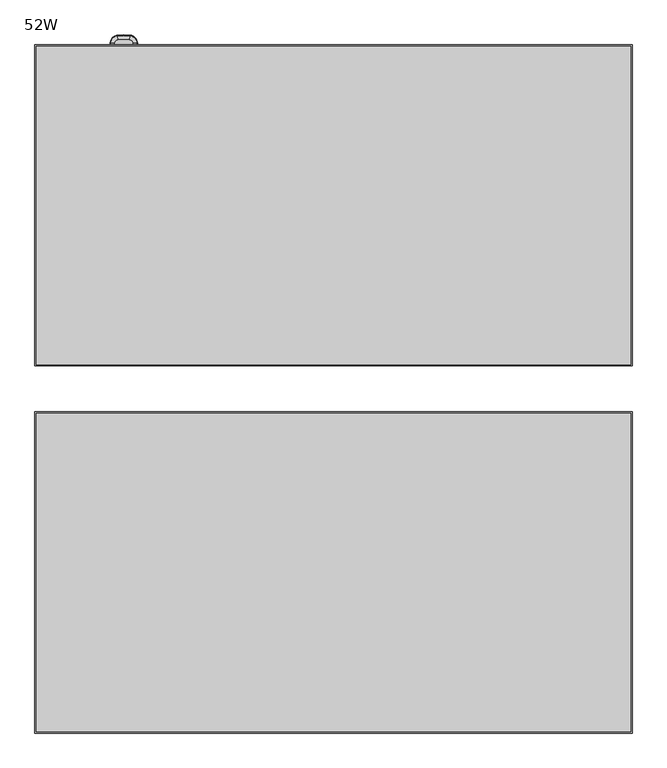
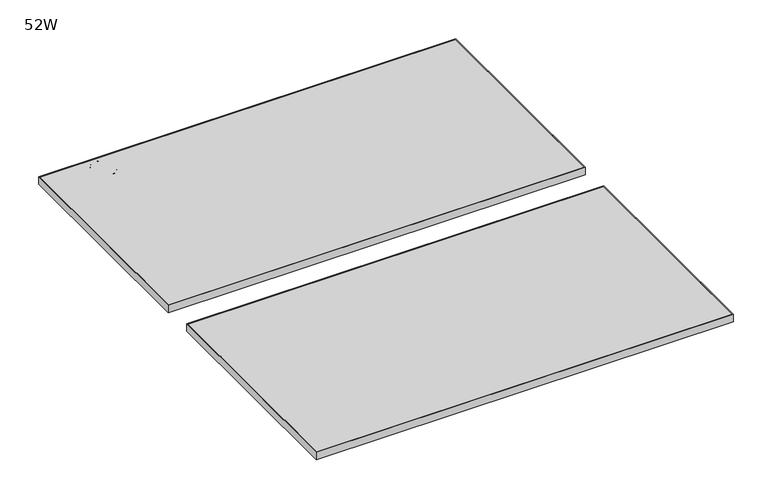
"""IFC4 building model written with IfcOpenShell, lengths in millimetres: furniture geometry, 52W."""

from ifc_helpers import new_model, si_unit, point, frame, origin, place, context, project, spatial, polyline, circle_curve, ellipse_curve, trimmed, outline, extrude, source, transform, mapped, element, save
from ifc_brep_helpers import plane_surface, revolved_surface, advanced_brep


def furniture_52w_aa009692(model_context):
    return source(origin(), model_context, "Body", "SolidModel", [
        advanced_brep(
        [(-477.6115374, 822.8053798, 686.2002905), (-478.7543179, 830.4598422, 683.3834162), (-492.2427261, 815.5601737, 683.3834162), (-484.5126626, 815.1822062, 686.2002905), (-493.50939, 815.6221082, 681.9527708), (-478.9415762, 831.7141179, 681.9527708), (-478.9660814, 831.8782564, 677.6840916), (-493.6751497, 815.6302132, 677.6840916), (-492.0943896, 779.9758204, 683.3834162), (-484.3677458, 780.4182206, 686.2002905), (-493.5261794, 779.8938412, 677.6840916), (-493.3604931, 779.9033279, 681.9527708), (-477.9675965, 765.2103493, 683.3834162), (-477.1841927, 772.909896, 686.2002905), (-478.1127656, 763.7835807, 677.6840916), (-478.0959667, 763.9486859, 681.9527708), (-450.6358016, 765.0298244, 683.3834162), (-451.3174314, 772.7390475, 686.2002905), (-450.5094919, 763.6012626, 677.6840916), (-450.5241084, 763.7665754, 681.9527708), (-434.9085802, 781.3244805, 683.3834162), (-442.6371131, 781.7325499, 686.2002905), (-433.4764403, 781.248863, 677.6840916), (-433.6421671, 781.2576135, 681.9527708), (-434.7872101, 814.6662347, 683.3834162), (-442.518509, 814.314442, 686.2002905), (-433.3545576, 814.7314238, 677.6840916), (-433.5203437, 814.7238802, 681.9527708), (-449.306564, 830.6029673, 683.3834162), (-450.3748861, 822.9377583, 686.2002905), (-449.1085979, 832.023373, 677.6840916), (-449.1315065, 831.859004, 681.9527708), (-484.5126626, 815.1822062, 673.4999998), (-477.6115374, 822.8053798, 673.4999998), (-450.3748861, 822.9377583, 673.4999998), (-442.518509, 814.314442, 673.4999998), (-442.6371131, 781.7325499, 673.4999998), (-451.3174314, 772.7390475, 673.4999998), (-477.1841927, 772.909896, 673.4999998), (-484.3677458, 780.4182206, 673.4999998), (-493.3250419, 815.6130944, 676.940773), (-478.914323, 831.5315728, 676.940773), (-493.1762266, 779.9138783, 676.940773), (-478.0772839, 764.1323063, 676.940773), (-450.540364, 763.9504265, 676.940773), (-433.8264787, 781.2673452, 676.940773), (-433.7047213, 814.7154906, 676.940773), (-449.1569841, 831.6762026, 676.940773)],
        [
            (0, 1),
            (1, 2, circle_curve(frame((-476.4143107, 814.786231, 683.3834162), z_axis=(0.0, 0.0, 1.0), x_axis=(-0.14765943736555143, 0.9890382654664525, 0.0)), 15.8473253)),
            (2, 3),
            (3, 0, circle_curve(frame((-476.4143107, 814.786231, 686.1999998), z_axis=(0.0, 0.0, -1.0), x_axis=(-0.14765943736555143, 0.9890382654664525, 0.0)), 8.1088255)),
            (4, 5, circle_curve(frame((-476.4143107, 814.786231, 681.9527708), z_axis=(0.0, 0.0, -1.0), x_axis=(-0.14765943736555143, 0.9890382654664525, 0.0)), 17.1155025)),
            (5, 6, circle_curve(frame((-477.3147111, 820.8172064, 679.3868597), z_axis=(-0.9890382654664525, -0.1476594373655514, 0.0), x_axis=(0.1476594373655514, -0.9890382654664525, 0.0)), 11.3125272)),
            (6, 7, circle_curve(frame((-476.4143107, 814.786231, 677.6840916), z_axis=(0.0, 0.0, 1.0), x_axis=(-0.14765943736555143, 0.9890382654664525, 0.0)), 17.2814602)),
            (7, 4, circle_curve(frame((-482.5048525, 815.0840328, 679.3868597), z_axis=(0.04883743353824094, 0.9988067406087116, 0.0), x_axis=(0.9988067406087116, -0.04883743353824094, 0.0)), 11.3125272)),
            (1, 5, circle_curve(frame((-478.6529657, 829.7809746, 681.4975708), z_axis=(-0.9890382654664525, -0.1476594373655514, 0.0), x_axis=(0.1476594373655514, -0.9890382654664525, 0.0)), 2.0068747)),
            (4, 2, circle_curve(frame((-491.5571536, 815.5266521, 681.4975708), z_axis=(0.048837433538238495, 0.9988067406087117, 0.0), x_axis=(0.9988067406087117, -0.048837433538238495, 0.0)), 2.0068747)),
            (2, 8, circle_curve(frame((-156.9426653, 799.1654161, 683.3834162), z_axis=(0.0, 0.0, 1.0), x_axis=(-0.9988067406087116, 0.04883743353824024, 0.0)), 335.7006387)),
            (8, 9),
            (9, 3, circle_curve(frame((-156.9426653, 799.1654161, 686.1999998), z_axis=(0.0, 0.0, -1.0), x_axis=(-0.9988067406087116, 0.04883743353824024, 0.0)), 327.9621389)),
            (7, 10, circle_curve(frame((-156.9426653, 799.1654161, 677.6840916), z_axis=(0.0, 0.0, 1.0), x_axis=(-0.9988067406087116, 0.04883743353824024, 0.0)), 337.1347736)),
            (10, 11, circle_curve(frame((-482.360824, 780.5331298, 679.3868597), z_axis=(-0.057162821296982205, 0.9983648691041613, 0.0), x_axis=(0.9983648691041613, 0.057162821296982205, 0.0)), 11.3125272)),
            (11, 4, circle_curve(frame((-156.9426653, 799.1654161, 681.9527708), z_axis=(0.0, 0.0, -1.0), x_axis=(-0.9988067406087116, 0.04883743353824024, 0.0)), 336.9688159)),
            (11, 8, circle_curve(frame((-491.4091203, 780.0150565, 681.4975708), z_axis=(-0.057162821296982094, 0.9983648691041613, 0.0), x_axis=(0.9983648691041613, 0.057162821296982094, 0.0)), 2.0068747)),
            (8, 12, circle_curve(frame((-476.3736743, 780.8759327, 683.3834162), z_axis=(0.0, 0.0, 1.0), x_axis=(-0.9983648691041614, -0.05716282129698137, 0.0)), 15.7464628)),
            (12, 13),
            (13, 9, circle_curve(frame((-476.3736743, 780.8759327, 686.1999998), z_axis=(0.0, 0.0, -1.0), x_axis=(-0.9983648691041614, -0.05716282129698137, 0.0)), 8.0079629)),
            (10, 14, circle_curve(frame((-476.3736743, 780.8759327, 677.6840916), z_axis=(0.0, 0.0, 1.0), x_axis=(-0.9983648691041614, -0.05716282129698137, 0.0)), 17.1805977)),
            (14, 15, circle_curve(frame((-476.980711, 774.9097797, 679.3868597), z_axis=(-0.9948636454160269, 0.10122414252308601, 0.0), x_axis=(0.10122414252308601, 0.9948636454160269, 0.0)), 11.3125272)),
            (15, 11, circle_curve(frame((-476.3736743, 780.8759327, 681.9527708), z_axis=(0.0, 0.0, -1.0), x_axis=(-0.9983648691041614, -0.05716282129698137, 0.0)), 17.01464)),
            (15, 12, circle_curve(frame((-477.8981171, 765.8932153, 681.4975708), z_axis=(-0.9948636454160271, 0.10122414252308312, 0.0), x_axis=(0.10122414252308312, 0.9948636454160271, 0.0)), 2.0068747)),
            (12, 16, circle_curve(frame((-463.3523463, 908.8537603, 683.3834162), z_axis=(0.0, 0.0, 1.0), x_axis=(-0.10122414252308336, -0.9948636454160271, 0.0)), 144.3850237)),
            (16, 17),
            (17, 13, circle_curve(frame((-463.3523463, 908.8537603, 686.1999998), z_axis=(0.0, 0.0, -1.0), x_axis=(-0.10122414252308336, -0.9948636454160271, 0.0)), 136.6465238)),
            (14, 18, circle_curve(frame((-463.3523463, 908.8537603, 677.6840916), z_axis=(0.0, 0.0, 1.0), x_axis=(-0.10122414252308336, -0.9948636454160271, 0.0)), 145.8191585)),
            (18, 19, circle_curve(frame((-451.4944783, 774.7414445, 679.3868597), z_axis=(-0.996113947934043, -0.08807384816876618, 0.0), x_axis=(-0.08807384816876618, 0.996113947934043, 0.0)), 11.3125272)),
            (19, 15, circle_curve(frame((-463.3523463, 908.8537603, 681.9527708), z_axis=(0.0, 0.0, -1.0), x_axis=(-0.10122414252308336, -0.9948636454160271, 0.0)), 145.6532009)),
            (19, 16, circle_curve(frame((-450.6962548, 765.7135486, 681.4975708), z_axis=(-0.996113947934043, -0.0880738481687662, 0.0), x_axis=(-0.0880738481687662, 0.996113947934043, 0.0)), 2.0068747)),
            (16, 20, circle_curve(frame((-452.1570575, 782.2352064, 683.3834162), z_axis=(0.0, 0.0, 1.0), x_axis=(0.08807384816876603, -0.996113947934043, 0.0)), 17.2725039)),
            (20, 21),
            (21, 17, circle_curve(frame((-452.1570575, 782.2352064, 686.1999998), z_axis=(0.0, 0.0, -1.0), x_axis=(0.08807384816876603, -0.996113947934043, 0.0)), 9.534004)),
            (18, 22, circle_curve(frame((-452.1570575, 782.2352064, 677.6840916), z_axis=(0.0, 0.0, 1.0), x_axis=(0.08807384816876603, -0.996113947934043, 0.0)), 18.7066388)),
            (22, 23, circle_curve(frame((-444.6445256, 781.838542, 679.3868597), z_axis=(-0.05272691522563906, -0.9986089687213852, 0.0), x_axis=(-0.9986089687213852, 0.05272691522563906, 0.0)), 11.3125272)),
            (23, 19, circle_curve(frame((-452.1570575, 782.2352064, 681.9527708), z_axis=(0.0, 0.0, -1.0), x_axis=(0.08807384816876603, -0.996113947934043, 0.0)), 18.5406811)),
            (23, 20, circle_curve(frame((-435.594017, 781.3606719, 681.4975708), z_axis=(-0.05272691522564173, -0.998608968721385, 0.0), x_axis=(-0.998608968721385, 0.05272691522564173, 0.0)), 2.0068747)),
            (20, 24, circle_curve(frame((-774.026514, 799.2300303, 683.3834162), z_axis=(0.0, 0.0, 1.0), x_axis=(0.9986089687213847, -0.05272691522564658, 0.0)), 339.5903145)),
            (24, 25),
            (25, 21, circle_curve(frame((-774.026514, 799.2300303, 686.1999998), z_axis=(0.0, 0.0, -1.0), x_axis=(0.9986089687213847, -0.05272691522564658, 0.0)), 331.8518146)),
            (22, 26, circle_curve(frame((-774.026514, 799.2300303, 677.6840916), z_axis=(0.0, 0.0, 1.0), x_axis=(0.9986089687213847, -0.05272691522564658, 0.0)), 341.0244494)),
            (26, 27, circle_curve(frame((-444.52664, 814.2230672, 679.3868597), z_axis=(0.04545537307657067, -0.9989663703340917, 0.0), x_axis=(-0.9989663703340917, -0.04545537307657067, 0.0)), 11.3125272)),
            (27, 23, circle_curve(frame((-774.026514, 799.2300303, 681.9527708), z_axis=(0.0, 0.0, -1.0), x_axis=(0.9986089687213847, -0.05272691522564658, 0.0)), 340.8584917)),
            (27, 24, circle_curve(frame((-435.4728922, 814.6350345, 681.4975708), z_axis=(0.045455373076570625, -0.9989663703340917, 0.0), x_axis=(-0.9989663703340917, -0.045455373076570625, 0.0)), 2.0068747)),
            (24, 28, circle_curve(frame((-451.6345546, 813.89964, 683.3834162), z_axis=(0.0, 0.0, 1.0), x_axis=(0.9989663703340921, 0.045455373076564755, 0.0)), 16.8647764)),
            (28, 29),
            (29, 25, circle_curve(frame((-451.6345546, 813.89964, 686.1999998), z_axis=(0.0, 0.0, -1.0), x_axis=(0.9989663703340921, 0.045455373076564755, 0.0)), 9.1262765)),
            (26, 30, circle_curve(frame((-451.6345546, 813.89964, 677.6840916), z_axis=(0.0, 0.0, 1.0), x_axis=(0.9989663703340921, 0.045455373076564755, 0.0)), 18.2989113)),
            (30, 31, circle_curve(frame((-450.6523726, 820.9467936, 679.3868597), z_axis=(0.9904268457768618, -0.13803862924738294, 0.0), x_axis=(-0.13803862924738294, -0.9904268457768618, 0.0)), 11.3125272)),
            (31, 27, circle_curve(frame((-451.6345546, 813.89964, 681.9527708), z_axis=(0.0, 0.0, -1.0), x_axis=(0.9989663703340921, 0.045455373076564755, 0.0)), 18.1329536)),
            (31, 28, circle_curve(frame((-449.4013125, 829.9231467, 681.4975708), z_axis=(0.9904268457768624, -0.13803862924737945, 0.0), x_axis=(-0.13803862924737945, -0.9904268457768624, 0.0)), 2.0068747)),
            (0, 29, circle_curve(frame((-463.5346182, 728.516711, 686.1999998), z_axis=(0.0, 0.0, -1.0), x_axis=(0.13803862924737878, 0.9904268457768624, 0.0)), 95.33449)),
            (28, 1, circle_curve(frame((-463.5346182, 728.516711, 683.3834162), z_axis=(0.0, 0.0, 1.0), x_axis=(0.13803862924737878, 0.9904268457768624, 0.0)), 103.0729899)),
            (5, 31, circle_curve(frame((-463.5346182, 728.516711, 681.9527708), z_axis=(0.0, 0.0, -1.0), x_axis=(0.13803862924737878, 0.9904268457768624, 0.0)), 104.3411671)),
            (30, 6, circle_curve(frame((-463.5346182, 728.516711, 677.6840916), z_axis=(0.0, 0.0, 1.0), x_axis=(0.13803862924737878, 0.9904268457768624, 0.0)), 104.5071248)),
            (32, 33, circle_curve(frame((-476.4143107, 814.786231, 673.4999998), z_axis=(0.0, 0.0, -1.0), x_axis=(-0.14765943736555143, 0.9890382654664525, 0.0)), 8.1080269)),
            (33, 34, circle_curve(frame((-463.5346182, 728.516711, 673.4999998), z_axis=(0.0, 0.0, -1.0), x_axis=(0.13803862924737878, 0.9904268457768624, 0.0)), 95.3336914)),
            (34, 35, circle_curve(frame((-451.6345546, 813.89964, 673.4999998), z_axis=(0.0, 0.0, -1.0), x_axis=(0.9989663703340921, 0.045455373076564755, 0.0)), 9.1254779)),
            (35, 36, circle_curve(frame((-774.026514, 799.2300303, 673.4999998), z_axis=(0.0, 0.0, -1.0), x_axis=(0.9986089687213847, -0.05272691522564658, 0.0)), 331.851016)),
            (36, 37, circle_curve(frame((-452.1570575, 782.2352064, 673.4999998), z_axis=(0.0, 0.0, -1.0), x_axis=(0.08807384816876603, -0.996113947934043, 0.0)), 9.5332054)),
            (37, 38, circle_curve(frame((-463.3523463, 908.8537603, 673.4999998), z_axis=(0.0, 0.0, -1.0), x_axis=(-0.10122414252308336, -0.9948636454160271, 0.0)), 136.6457252)),
            (38, 39, circle_curve(frame((-476.3736743, 780.8759327, 673.4999998), z_axis=(0.0, 0.0, -1.0), x_axis=(-0.9983648691041614, -0.05716282129698137, 0.0)), 8.0071643)),
            (39, 32, circle_curve(frame((-156.9426653, 799.1654161, 673.4999998), z_axis=(0.0, 0.0, -1.0), x_axis=(-0.9988067406087116, 0.04883743353824024, 0.0)), 327.9613402)),
            (40, 41, circle_curve(frame((-476.4143107, 814.786231, 676.940773), z_axis=(0.0, 0.0, -1.0), x_axis=(-0.14765943736555143, 0.9890382654664525, 0.0)), 16.9309342)),
            (41, 33, circle_curve(frame((-477.761296, 823.8084781, 683.9316594), z_axis=(-0.9890382654664525, -0.1476594373655514, 0.0), x_axis=(0.1476594373655514, -0.9890382654664525, 0.0)), 10.4808471)),
            (32, 40, circle_curve(frame((-485.5256682, 815.2317379, 683.9316594), z_axis=(0.048837433538235164, 0.9988067406087119, 0.0), x_axis=(0.9988067406087119, -0.048837433538235164, 0.0)), 10.4808471)),
            (6, 41, circle_curve(frame((-478.755997, 830.471089, 677.9007148), z_axis=(-0.9890382654664525, -0.1476594373655514, 0.0), x_axis=(0.1476594373655514, -0.9890382654664525, 0.0)), 1.4391599)),
            (40, 7, circle_curve(frame((-492.2540841, 815.5607291, 677.9007148), z_axis=(0.04883743353823983, 0.9988067406087117, 0.0), x_axis=(0.9988067406087117, -0.04883743353823983, 0.0)), 1.4391599)),
            (39, 42, circle_curve(frame((-485.3803033, 780.3602451, 683.9316594), z_axis=(-0.057162821296982025, 0.9983648691041613, 0.0), x_axis=(0.9983648691041613, 0.057162821296982025, 0.0)), 10.4808471)),
            (42, 40, circle_curve(frame((-156.9426653, 799.1654161, 676.940773), z_axis=(0.0, 0.0, -1.0), x_axis=(-0.9988067406087116, 0.04883743353824024, 0.0)), 336.7842476)),
            (42, 10, circle_curve(frame((-492.1057425, 779.9751704, 677.9007148), z_axis=(-0.057162821296981796, 0.9983648691041614, 0.0), x_axis=(0.9983648691041614, 0.057162821296981796, 0.0)), 1.4391599)),
            (38, 43, circle_curve(frame((-477.2868558, 771.9008896, 683.9316594), z_axis=(-0.9948636454160276, 0.1012241425230787, 0.0), x_axis=(0.1012241425230787, 0.9948636454160276, 0.0)), 10.4808471)),
            (43, 42, circle_curve(frame((-476.3736743, 780.8759327, 676.940773), z_axis=(0.0, 0.0, -1.0), x_axis=(-0.9983648691041614, -0.05716282129698137, 0.0)), 16.8300716)),
            (43, 14, circle_curve(frame((-477.9687476, 765.1990362, 677.9007148), z_axis=(-0.9948636454160269, 0.10122414252308488, 0.0), x_axis=(0.10122414252308488, 0.9948636454160269, 0.0)), 1.4391599)),
            (37, 44, circle_curve(frame((-451.2281056, 771.728773, 683.9316594), z_axis=(-0.996113947934043, -0.08807384816876587, 0.0), x_axis=(-0.08807384816876587, 0.996113947934043, 0.0)), 10.4808471)),
            (44, 43, circle_curve(frame((-463.3523463, 908.8537603, 676.940773), z_axis=(0.0, 0.0, -1.0), x_axis=(-0.10122414252308336, -0.9948636454160271, 0.0)), 145.4686325)),
            (44, 18, circle_curve(frame((-450.6348001, 765.018497, 677.9007148), z_axis=(-0.996113947934043, -0.08807384816876607, 0.0), x_axis=(-0.08807384816876607, 0.996113947934043, 0.0)), 1.4391599)),
            (36, 45, circle_curve(frame((-441.6243081, 781.6790734, 683.9316594), z_axis=(-0.05272691522564153, -0.998608968721385, 0.0), x_axis=(-0.998608968721385, 0.05272691522564153, 0.0)), 10.4808471)),
            (45, 44, circle_curve(frame((-452.1570575, 782.2352064, 676.940773), z_axis=(0.0, 0.0, -1.0), x_axis=(0.08807384816876603, -0.996113947934043, 0.0)), 18.3561127)),
            (45, 22, circle_curve(frame((-434.8972245, 781.323881, 677.9007148), z_axis=(-0.05272691522564307, -0.9986089687213849, 0.0), x_axis=(-0.9986089687213849, 0.05272691522564307, 0.0)), 1.4391599)),
            (35, 46, circle_curve(frame((-441.5053415, 814.3605436, 683.9316594), z_axis=(0.045455373076571055, -0.9989663703340917, 0.0), x_axis=(-0.9989663703340917, -0.045455373076571055, 0.0)), 10.4808471)),
            (46, 45, circle_curve(frame((-774.026514, 799.2300303, 676.940773), z_axis=(0.0, 0.0, -1.0), x_axis=(0.9986089687213847, -0.05272691522564658, 0.0)), 340.6739233)),
            (46, 26, circle_curve(frame((-434.7758503, 814.6667516, 677.9007148), z_axis=(0.045455373076570736, -0.9989663703340917, 0.0), x_axis=(-0.9989663703340917, -0.045455373076570736, 0.0)), 1.4391599)),
            (34, 47, circle_curve(frame((-450.2348851, 823.9422649, 683.9316594), z_axis=(0.990426845776861, -0.13803862924738824, 0.0), x_axis=(-0.13803862924738824, -0.990426845776861, 0.0)), 10.4808471)),
            (47, 46, circle_curve(frame((-451.6345546, 813.89964, 676.940773), z_axis=(0.0, 0.0, -1.0), x_axis=(0.9989663703340921, 0.045455373076564755, 0.0)), 17.9483852)),
            (47, 30, circle_curve(frame((-449.3049942, 830.6142299, 677.9007148), z_axis=(0.9904268457768618, -0.13803862924738294, 0.0), x_axis=(-0.13803862924738294, -0.9904268457768618, 0.0)), 1.4391599)),
            (41, 47, circle_curve(frame((-463.5346182, 728.516711, 676.940773), z_axis=(0.0, 0.0, -1.0), x_axis=(0.13803862924737878, 0.9904268457768624, 0.0)), 104.1565987)),
        ],
        [
            revolved_surface(polyline([(-478.7543179, 830.4598422, 683.3834162), (-477.6115374, 822.8053798, 686.2002905)]), (-476.4143107, 814.786231, 0.0), (0.0, 0.0, 1.0)),
            revolved_surface(trimmed(ellipse_curve(frame((-477.3147111, 820.8172064, 679.3868597), z_axis=(0.9890382654664525, 0.1476594373655514, 0.0), x_axis=(0.1476594373655514, -0.9890382654664525, 0.0)), 11.3125272, 11.3125272), [point((-478.9660814, 831.8782564, 677.6840916))], [point((-478.9415762, 831.7141179, 681.9527708))], True, "CARTESIAN"), (-476.4143107, 814.786231, 0.0), (0.0, 0.0, 1.0)),
            revolved_surface(trimmed(ellipse_curve(frame((-478.6529657, 829.7809746, 681.4975708), z_axis=(0.9890382654664525, 0.1476594373655514, 0.0), x_axis=(0.1476594373655514, -0.9890382654664525, 0.0)), 2.0068747, 2.0068747), [point((-478.9415762, 831.7141179, 681.9527708))], [point((-478.7543179, 830.4598422, 683.3834162))], True, "CARTESIAN"), (-476.4143107, 814.786231, 0.0), (0.0, 0.0, 1.0)),
            revolved_surface(polyline([(-492.2427261, 815.5601737, 683.3834162), (-484.5126626, 815.1822062, 686.2002905)]), (-156.9426653, 799.1654161, 0.0), (0.0, 0.0, 1.0)),
            revolved_surface(trimmed(ellipse_curve(frame((-482.5048525, 815.0840328, 679.3868597), z_axis=(0.04883743353824022, 0.9988067406087116, 0.0), x_axis=(0.9988067406087116, -0.04883743353824022, 0.0)), 11.3125272, 11.3125272), [point((-493.6751497, 815.6302132, 677.6840916))], [point((-493.50939, 815.6221082, 681.9527708))], True, "CARTESIAN"), (-156.9426653, 799.1654161, 0.0), (0.0, 0.0, 1.0)),
            revolved_surface(trimmed(ellipse_curve(frame((-491.5571536, 815.5266521, 681.4975708), z_axis=(0.04883743353824022, 0.9988067406087116, 0.0), x_axis=(0.9988067406087116, -0.04883743353824022, 0.0)), 2.0068747, 2.0068747), [point((-493.50939, 815.6221082, 681.9527708))], [point((-492.2427261, 815.5601737, 683.3834162))], True, "CARTESIAN"), (-156.9426653, 799.1654161, 0.0), (0.0, 0.0, 1.0)),
            revolved_surface(polyline([(-492.0943896, 779.9758204, 683.3834162), (-484.3677458, 780.4182206, 686.2002905)]), (-476.3736743, 780.8759327, 0.0), (0.0, 0.0, 1.0)),
            revolved_surface(trimmed(ellipse_curve(frame((-482.360824, 780.5331298, 679.3868597), z_axis=(-0.05716282129698137, 0.9983648691041614, 0.0), x_axis=(0.9983648691041614, 0.05716282129698137, 0.0)), 11.3125272, 11.3125272), [point((-493.5261794, 779.8938412, 677.6840916))], [point((-493.3604931, 779.9033279, 681.9527708))], True, "CARTESIAN"), (-476.3736743, 780.8759327, 0.0), (0.0, 0.0, 1.0)),
            revolved_surface(trimmed(ellipse_curve(frame((-491.4091203, 780.0150565, 681.4975708), z_axis=(-0.05716282129698137, 0.9983648691041614, 0.0), x_axis=(0.9983648691041614, 0.05716282129698137, 0.0)), 2.0068747, 2.0068747), [point((-493.3604931, 779.9033279, 681.9527708))], [point((-492.0943896, 779.9758204, 683.3834162))], True, "CARTESIAN"), (-476.3736743, 780.8759327, 0.0), (0.0, 0.0, 1.0)),
            revolved_surface(polyline([(-477.9675965, 765.2103493, 683.3834162), (-477.1841927, 772.909896, 686.2002905)]), (-463.3523463, 908.8537603, 0.0), (0.0, 0.0, 1.0)),
            revolved_surface(trimmed(ellipse_curve(frame((-476.980711, 774.9097797, 679.3868597), z_axis=(-0.9948636454160271, 0.10122414252308339, 0.0), x_axis=(0.10122414252308339, 0.9948636454160271, 0.0)), 11.3125272, 11.3125272), [point((-478.1127656, 763.7835807, 677.6840916))], [point((-478.0959667, 763.9486859, 681.9527708))], True, "CARTESIAN"), (-463.3523463, 908.8537603, 0.0), (0.0, 0.0, 1.0)),
            revolved_surface(trimmed(ellipse_curve(frame((-477.8981171, 765.8932153, 681.4975708), z_axis=(-0.9948636454160271, 0.10122414252308339, 0.0), x_axis=(0.10122414252308339, 0.9948636454160271, 0.0)), 2.0068747, 2.0068747), [point((-478.0959667, 763.9486859, 681.9527708))], [point((-477.9675965, 765.2103493, 683.3834162))], True, "CARTESIAN"), (-463.3523463, 908.8537603, 0.0), (0.0, 0.0, 1.0)),
            revolved_surface(polyline([(-450.6358016, 765.0298244, 683.3834162), (-451.3174314, 772.7390475, 686.2002905)]), (-452.1570575, 782.2352064, 0.0), (0.0, 0.0, 1.0)),
            revolved_surface(trimmed(ellipse_curve(frame((-451.4944783, 774.7414445, 679.3868597), z_axis=(-0.996113947934043, -0.08807384816876601, 0.0), x_axis=(-0.08807384816876601, 0.996113947934043, 0.0)), 11.3125272, 11.3125272), [point((-450.5094919, 763.6012626, 677.6840916))], [point((-450.5241084, 763.7665754, 681.9527708))], True, "CARTESIAN"), (-452.1570575, 782.2352064, 0.0), (0.0, 0.0, 1.0)),
            revolved_surface(trimmed(ellipse_curve(frame((-450.6962548, 765.7135486, 681.4975708), z_axis=(-0.996113947934043, -0.08807384816876601, 0.0), x_axis=(-0.08807384816876601, 0.996113947934043, 0.0)), 2.0068747, 2.0068747), [point((-450.5241084, 763.7665754, 681.9527708))], [point((-450.6358016, 765.0298244, 683.3834162))], True, "CARTESIAN"), (-452.1570575, 782.2352064, 0.0), (0.0, 0.0, 1.0)),
            revolved_surface(polyline([(-434.9085802, 781.3244805, 683.3834162), (-442.6371131, 781.7325499, 686.2002905)]), (-774.026514, 799.2300303, 0.0), (0.0, 0.0, 1.0)),
            revolved_surface(trimmed(ellipse_curve(frame((-444.6445256, 781.838542, 679.3868597), z_axis=(-0.05272691522564656, -0.9986089687213847, 0.0), x_axis=(-0.9986089687213847, 0.05272691522564656, 0.0)), 11.3125272, 11.3125272), [point((-433.4764403, 781.248863, 677.6840916))], [point((-433.6421671, 781.2576135, 681.9527708))], True, "CARTESIAN"), (-774.026514, 799.2300303, 0.0), (0.0, 0.0, 1.0)),
            revolved_surface(trimmed(ellipse_curve(frame((-435.594017, 781.3606719, 681.4975708), z_axis=(-0.05272691522564656, -0.9986089687213847, 0.0), x_axis=(-0.9986089687213847, 0.05272691522564656, 0.0)), 2.0068747, 2.0068747), [point((-433.6421671, 781.2576135, 681.9527708))], [point((-434.9085802, 781.3244805, 683.3834162))], True, "CARTESIAN"), (-774.026514, 799.2300303, 0.0), (0.0, 0.0, 1.0)),
            revolved_surface(polyline([(-434.7872101, 814.6662347, 683.3834162), (-442.518509, 814.314442, 686.2002905)]), (-451.6345546, 813.89964, 0.0), (0.0, 0.0, 1.0)),
            revolved_surface(trimmed(ellipse_curve(frame((-444.52664, 814.2230672, 679.3868597), z_axis=(0.04545537307656477, -0.9989663703340921, 0.0), x_axis=(-0.9989663703340921, -0.04545537307656477, 0.0)), 11.3125272, 11.3125272), [point((-433.3545576, 814.7314238, 677.6840916))], [point((-433.5203437, 814.7238802, 681.9527708))], True, "CARTESIAN"), (-451.6345546, 813.89964, 0.0), (0.0, 0.0, 1.0)),
            revolved_surface(trimmed(ellipse_curve(frame((-435.4728922, 814.6350345, 681.4975708), z_axis=(0.04545537307656477, -0.9989663703340921, 0.0), x_axis=(-0.9989663703340921, -0.04545537307656477, 0.0)), 2.0068747, 2.0068747), [point((-433.5203437, 814.7238802, 681.9527708))], [point((-434.7872101, 814.6662347, 683.3834162))], True, "CARTESIAN"), (-451.6345546, 813.89964, 0.0), (0.0, 0.0, 1.0)),
            revolved_surface(polyline([(-449.306564, 830.6029673, 683.3834162), (-450.3748861, 822.9377583, 686.2002905)]), (-463.5346182, 728.516711, 0.0), (0.0, 0.0, 1.0)),
            revolved_surface(trimmed(ellipse_curve(frame((-450.6523726, 820.9467936, 679.3868597), z_axis=(0.9904268457768624, -0.1380386292473788, 0.0), x_axis=(-0.1380386292473788, -0.9904268457768624, 0.0)), 11.3125272, 11.3125272), [point((-449.1085979, 832.023373, 677.6840916))], [point((-449.1315065, 831.859004, 681.9527708))], True, "CARTESIAN"), (-463.5346182, 728.516711, 0.0), (0.0, 0.0, 1.0)),
            revolved_surface(trimmed(ellipse_curve(frame((-449.4013125, 829.9231467, 681.4975708), z_axis=(0.9904268457768624, -0.1380386292473788, 0.0), x_axis=(-0.1380386292473788, -0.9904268457768624, 0.0)), 2.0068747, 2.0068747), [point((-449.1315065, 831.859004, 681.9527708))], [point((-449.306564, 830.6029673, 683.3834162))], True, "CARTESIAN"), (-463.5346182, 728.516711, 0.0), (0.0, 0.0, 1.0)),
            plane_surface(frame((-476.3736743, 772.8687684, 673.4999998), z_axis=(0.0, 0.0, -1.0), x_axis=(-1.0, 0.0, 0.0))),
            plane_surface(frame((-476.3736743, 772.8687684, 686.1999998), z_axis=(0.0, 0.0, 1.0), x_axis=(1.0, 0.0, 0.0))),
            revolved_surface(trimmed(ellipse_curve(frame((-477.761296, 823.8084781, 683.9316594), z_axis=(0.9890382654664525, 0.1476594373655514, 0.0), x_axis=(0.1476594373655514, -0.9890382654664525, 0.0)), 10.4808471, 10.4808471), [point((-477.6115374, 822.8053798, 673.4999998))], [point((-478.914323, 831.5315728, 676.940773))], True, "CARTESIAN"), (-476.4143107, 814.786231, 0.0), (0.0, 0.0, 1.0)),
            revolved_surface(trimmed(ellipse_curve(frame((-478.755997, 830.471089, 677.9007148), z_axis=(0.9890382654664525, 0.1476594373655514, 0.0), x_axis=(0.1476594373655514, -0.9890382654664525, 0.0)), 1.4391599, 1.4391599), [point((-478.914323, 831.5315728, 676.940773))], [point((-478.9660814, 831.8782564, 677.6840916))], True, "CARTESIAN"), (-476.4143107, 814.786231, 0.0), (0.0, 0.0, 1.0)),
            revolved_surface(trimmed(ellipse_curve(frame((-485.5256682, 815.2317379, 683.9316594), z_axis=(0.04883743353824022, 0.9988067406087116, 0.0), x_axis=(0.9988067406087116, -0.04883743353824022, 0.0)), 10.4808471, 10.4808471), [point((-484.5126626, 815.1822062, 673.4999998))], [point((-493.3250419, 815.6130944, 676.940773))], True, "CARTESIAN"), (-156.9426653, 799.1654161, 0.0), (0.0, 0.0, 1.0)),
            revolved_surface(trimmed(ellipse_curve(frame((-492.2540841, 815.5607291, 677.9007148), z_axis=(0.04883743353824022, 0.9988067406087116, 0.0), x_axis=(0.9988067406087116, -0.04883743353824022, 0.0)), 1.4391599, 1.4391599), [point((-493.3250419, 815.6130944, 676.940773))], [point((-493.6751497, 815.6302132, 677.6840916))], True, "CARTESIAN"), (-156.9426653, 799.1654161, 0.0), (0.0, 0.0, 1.0)),
            revolved_surface(trimmed(ellipse_curve(frame((-485.3803033, 780.3602451, 683.9316594), z_axis=(-0.05716282129698137, 0.9983648691041614, 0.0), x_axis=(0.9983648691041614, 0.05716282129698137, 0.0)), 10.4808471, 10.4808471), [point((-484.3677458, 780.4182206, 673.4999998))], [point((-493.1762266, 779.9138783, 676.940773))], True, "CARTESIAN"), (-476.3736743, 780.8759327, 0.0), (0.0, 0.0, 1.0)),
            revolved_surface(trimmed(ellipse_curve(frame((-492.1057425, 779.9751704, 677.9007148), z_axis=(-0.05716282129698137, 0.9983648691041614, 0.0), x_axis=(0.9983648691041614, 0.05716282129698137, 0.0)), 1.4391599, 1.4391599), [point((-493.1762266, 779.9138783, 676.940773))], [point((-493.5261794, 779.8938412, 677.6840916))], True, "CARTESIAN"), (-476.3736743, 780.8759327, 0.0), (0.0, 0.0, 1.0)),
            revolved_surface(trimmed(ellipse_curve(frame((-477.2868558, 771.9008896, 683.9316594), z_axis=(-0.9948636454160271, 0.10122414252308339, 0.0), x_axis=(0.10122414252308339, 0.9948636454160271, 0.0)), 10.4808471, 10.4808471), [point((-477.1841927, 772.909896, 673.4999998))], [point((-478.0772839, 764.1323063, 676.940773))], True, "CARTESIAN"), (-463.3523463, 908.8537603, 0.0), (0.0, 0.0, 1.0)),
            revolved_surface(trimmed(ellipse_curve(frame((-477.9687476, 765.1990362, 677.9007148), z_axis=(-0.9948636454160271, 0.10122414252308339, 0.0), x_axis=(0.10122414252308339, 0.9948636454160271, 0.0)), 1.4391599, 1.4391599), [point((-478.0772839, 764.1323063, 676.940773))], [point((-478.1127656, 763.7835807, 677.6840916))], True, "CARTESIAN"), (-463.3523463, 908.8537603, 0.0), (0.0, 0.0, 1.0)),
            revolved_surface(trimmed(ellipse_curve(frame((-451.2281056, 771.728773, 683.9316594), z_axis=(-0.996113947934043, -0.08807384816876601, 0.0), x_axis=(-0.08807384816876601, 0.996113947934043, 0.0)), 10.4808471, 10.4808471), [point((-451.3174314, 772.7390475, 673.4999998))], [point((-450.540364, 763.9504265, 676.940773))], True, "CARTESIAN"), (-452.1570575, 782.2352064, 0.0), (0.0, 0.0, 1.0)),
            revolved_surface(trimmed(ellipse_curve(frame((-450.6348001, 765.018497, 677.9007148), z_axis=(-0.996113947934043, -0.08807384816876601, 0.0), x_axis=(-0.08807384816876601, 0.996113947934043, 0.0)), 1.4391599, 1.4391599), [point((-450.540364, 763.9504265, 676.940773))], [point((-450.5094919, 763.6012626, 677.6840916))], True, "CARTESIAN"), (-452.1570575, 782.2352064, 0.0), (0.0, 0.0, 1.0)),
            revolved_surface(trimmed(ellipse_curve(frame((-441.6243081, 781.6790734, 683.9316594), z_axis=(-0.05272691522564656, -0.9986089687213847, 0.0), x_axis=(-0.9986089687213847, 0.05272691522564656, 0.0)), 10.4808471, 10.4808471), [point((-442.6371131, 781.7325499, 673.4999998))], [point((-433.8264787, 781.2673452, 676.940773))], True, "CARTESIAN"), (-774.026514, 799.2300303, 0.0), (0.0, 0.0, 1.0)),
            revolved_surface(trimmed(ellipse_curve(frame((-434.8972245, 781.323881, 677.9007148), z_axis=(-0.05272691522564656, -0.9986089687213847, 0.0), x_axis=(-0.9986089687213847, 0.05272691522564656, 0.0)), 1.4391599, 1.4391599), [point((-433.8264787, 781.2673452, 676.940773))], [point((-433.4764403, 781.248863, 677.6840916))], True, "CARTESIAN"), (-774.026514, 799.2300303, 0.0), (0.0, 0.0, 1.0)),
            revolved_surface(trimmed(ellipse_curve(frame((-441.5053415, 814.3605436, 683.9316594), z_axis=(0.04545537307656477, -0.9989663703340921, 0.0), x_axis=(-0.9989663703340921, -0.04545537307656477, 0.0)), 10.4808471, 10.4808471), [point((-442.518509, 814.314442, 673.4999998))], [point((-433.7047213, 814.7154906, 676.940773))], True, "CARTESIAN"), (-451.6345546, 813.89964, 0.0), (0.0, 0.0, 1.0)),
            revolved_surface(trimmed(ellipse_curve(frame((-434.7758503, 814.6667516, 677.9007148), z_axis=(0.04545537307656477, -0.9989663703340921, 0.0), x_axis=(-0.9989663703340921, -0.04545537307656477, 0.0)), 1.4391599, 1.4391599), [point((-433.7047213, 814.7154906, 676.940773))], [point((-433.3545576, 814.7314238, 677.6840916))], True, "CARTESIAN"), (-451.6345546, 813.89964, 0.0), (0.0, 0.0, 1.0)),
            revolved_surface(trimmed(ellipse_curve(frame((-450.2348851, 823.9422649, 683.9316594), z_axis=(0.9904268457768624, -0.1380386292473788, 0.0), x_axis=(-0.1380386292473788, -0.9904268457768624, 0.0)), 10.4808471, 10.4808471), [point((-450.3748861, 822.9377583, 673.4999998))], [point((-449.1569841, 831.6762026, 676.940773))], True, "CARTESIAN"), (-463.5346182, 728.516711, 0.0), (0.0, 0.0, 1.0)),
            revolved_surface(trimmed(ellipse_curve(frame((-449.3049942, 830.6142299, 677.9007148), z_axis=(0.9904268457768624, -0.1380386292473788, 0.0), x_axis=(-0.1380386292473788, -0.9904268457768624, 0.0)), 1.4391599, 1.4391599), [point((-449.1569841, 831.6762026, 676.940773))], [point((-449.1085979, 832.023373, 677.6840916))], True, "CARTESIAN"), (-463.5346182, 728.516711, 0.0), (0.0, 0.0, 1.0)),
        ],
        [
            (0, [[1, 2, 3, 4]]),
            (1, [[5, 6, 7, 8]]),
            (2, [[-2, 9, -5, 10]]),
            (3, [[-3, 11, 12, 13]]),
            (4, [[-8, 14, 15, 16]]),
            (5, [[-10, -16, 17, -11]]),
            (6, [[-12, 18, 19, 20]]),
            (7, [[-15, 21, 22, 23]]),
            (8, [[-17, -23, 24, -18]]),
            (9, [[-19, 25, 26, 27]]),
            (10, [[-22, 28, 29, 30]]),
            (11, [[-24, -30, 31, -25]]),
            (12, [[-26, 32, 33, 34]]),
            (13, [[-29, 35, 36, 37]]),
            (14, [[-31, -37, 38, -32]]),
            (15, [[-33, 39, 40, 41]]),
            (16, [[-36, 42, 43, 44]]),
            (17, [[-38, -44, 45, -39]]),
            (18, [[-40, 46, 47, 48]]),
            (19, [[-43, 49, 50, 51]]),
            (20, [[-45, -51, 52, -46]]),
            (21, [[-1, 53, -47, 54]]),
            (22, [[-6, 55, -50, 56]]),
            (23, [[-9, -54, -52, -55]]),
            (24, [[57, 58, 59, 60, 61, 62, 63, 64]]),
            (25, [[-4, -13, -20, -27, -34, -41, -48, -53]]),
            (26, [[65, 66, -57, 67]]),
            (27, [[-7, 68, -65, 69]]),
            (28, [[-67, -64, 70, 71]]),
            (29, [[-14, -69, -71, 72]]),
            (30, [[-70, -63, 73, 74]]),
            (31, [[-21, -72, -74, 75]]),
            (32, [[-73, -62, 76, 77]]),
            (33, [[-28, -75, -77, 78]]),
            (34, [[-76, -61, 79, 80]]),
            (35, [[-35, -78, -80, 81]]),
            (36, [[-79, -60, 82, 83]]),
            (37, [[-42, -81, -83, 84]]),
            (38, [[-82, -59, 85, 86]]),
            (39, [[-49, -84, -86, 87]]),
            (40, [[-66, 88, -85, -58]]),
            (41, [[-56, -87, -88, -68]]),
        ],
    ),
        extrude(outline(polyline([(657.437698, -706.84375), (-657.3622806, -706.84375), (-657.3622806, -3.0), (657.437698, -3.0), (657.437698, -706.84375)])), frame((0.0, 0.0, 686.1999998), z_axis=(0.0, 0.0, 1.0), x_axis=(1.0, 0.0, 0.0)), (0.0, 0.0, 1.0), 25.0000002),
        extrude(outline(polyline([(660.4, -709.8439286), (-660.4, -709.8439286), (-660.4, 0.0), (660.4, 0.0), (660.4, -709.8439286)]), holes=[polyline([(657.437698, -706.84375), (657.437698, -3.0), (-657.3622806, -3.0), (-657.3622806, -706.84375), (657.437698, -706.84375)])]), frame((0.0, 0.0, 686.1999998), z_axis=(0.0, 0.0, 1.0), x_axis=(1.0, 0.0, 0.0)), (0.0, 0.0, 1.0), 25.0000002),
        extrude(outline(polyline([(657.437698, 808.4439663), (657.437698, 104.5993194), (-657.3622806, 104.5993194), (-657.3622806, 808.4439663), (657.437698, 808.4439663)])), frame((0.0, 0.0, 686.1999998), z_axis=(0.0, 0.0, 1.0), x_axis=(1.0, 0.0, 0.0)), (0.0, 0.0, 1.0), 25.0000002),
        extrude(outline(polyline([(660.4, 811.4439286), (660.4, 101.6), (-660.4, 101.6), (-660.4, 811.4439286), (660.4, 811.4439286)]), holes=[polyline([(657.437698, 808.4439663), (-657.3622806, 808.4439663), (-657.3622806, 104.5993194), (657.437698, 104.5993194), (657.437698, 808.4439663)])]), frame((0.0, 0.0, 686.1999998), z_axis=(0.0, 0.0, 1.0), x_axis=(1.0, 0.0, 0.0)), (0.0, 0.0, 1.0), 25.0000002),
    ])


if __name__ == "__main__":
    model = new_model("IFC4")
    model_context = context("Model", 3, world=origin())
    ifc_project = project(units=[si_unit("LENGTHUNIT", "METRE", prefix="MILLI")], contexts=[model_context])
    site = spatial("IfcSite", under=ifc_project)
    building = spatial("IfcBuilding", under=site)
    placement = place(None, origin())
    furniture_52w_shape = furniture_52w_aa009692(model_context)
    element("IfcFurniture", 1, ObjectType="52W", at=placement, inside=building, context=model_context, shape_type="MappedRepresentation", body=[
        mapped(furniture_52w_shape, transform((0.0, 0.0, 0.0), x_axis=(1.0, 0.0, 0.0), y_axis=(0.0, 1.0, 0.0), z_axis=(0.0, 0.0, 1.0))),
    ])
    save(model, "model.ifc")
